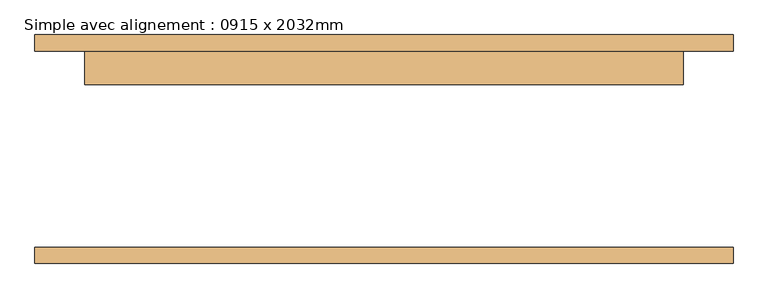
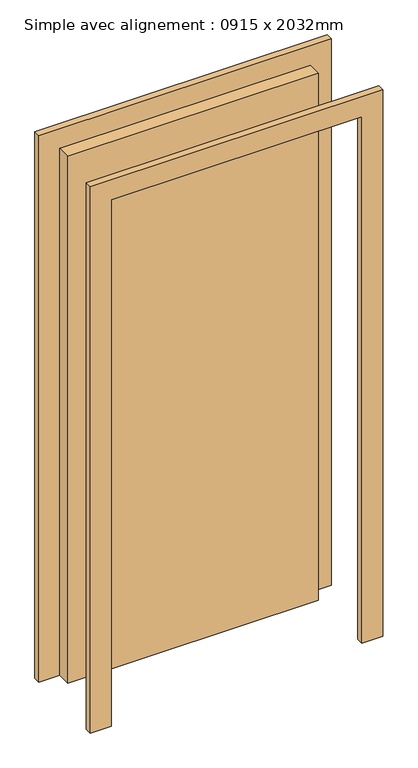
"""IFC4 building model written with IfcOpenShell, lengths in millimetres: door geometry, Simple avec alignement : 0915 x 2032mm."""

from ifc_helpers import new_model, si_unit, frame, origin, origin_with_axes, place, context, project, spatial, polyline, outline, extrude, source, transform, mapped, element, save


def simple_avec_alignement_0915_x_2032mm_c307595f(model_context):
    return source(origin(), model_context, "Body", "SweptSolid", [
        extrude(outline(polyline([(2108.0, -533.5), (0.0, -533.5), (0.0, -457.5), (2032.0, -457.5), (2032.0, 457.5), (0.0, 457.5), (0.0, 533.5), (2108.0, 533.5), (2108.0, -533.5)])), frame((0.0, 150.0, 0.0), z_axis=(0.0, 1.0, 0.0), x_axis=(0.0, 0.0, 1.0)), (0.0, 0.0, 1.0), 25.0),
        extrude(outline(polyline([(2108.0, 533.5), (2108.0, -533.5), (0.0, -533.5), (0.0, -457.5), (2032.0, -457.5), (2032.0, 457.5), (0.0, 457.5), (0.0, 533.5), (2108.0, 533.5)])), frame((0.0, -175.0, 0.0), z_axis=(0.0, 1.0, 0.0), x_axis=(0.0, 0.0, 1.0)), (0.0, 0.0, 1.0), 25.0),
        extrude(outline(polyline([(457.5, 99.0), (-457.5, 99.0), (-457.5, 150.0), (457.5, 150.0), (457.5, 99.0)])), origin_with_axes(), (0.0, 0.0, 1.0), 2032.0),
    ])


if __name__ == "__main__":
    model = new_model("IFC4")
    model_context = context("Model", 3, world=origin())
    ifc_project = project(units=[si_unit("LENGTHUNIT", "METRE", prefix="MILLI")], contexts=[model_context])
    site = spatial("IfcSite", under=ifc_project)
    building = spatial("IfcBuilding", under=site)
    placement = place(None, origin())
    simple_avec_alignement_0915_x_2032mm_shape = simple_avec_alignement_0915_x_2032mm_c307595f(model_context)
    element("IfcDoor", 1, ObjectType="Simple avec alignement : 0915 x 2032mm", at=placement, inside=building, context=model_context, shape_type="MappedRepresentation", body=[
        mapped(simple_avec_alignement_0915_x_2032mm_shape, transform((0.0, 0.0, 0.0), x_axis=(1.0, 0.0, 0.0), y_axis=(0.0, 1.0, 0.0), z_axis=(0.0, 0.0, 1.0))),
    ])
    save(model, "model.ifc")
